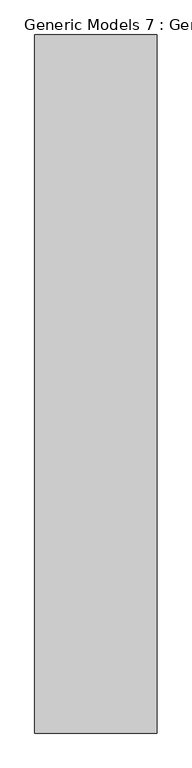
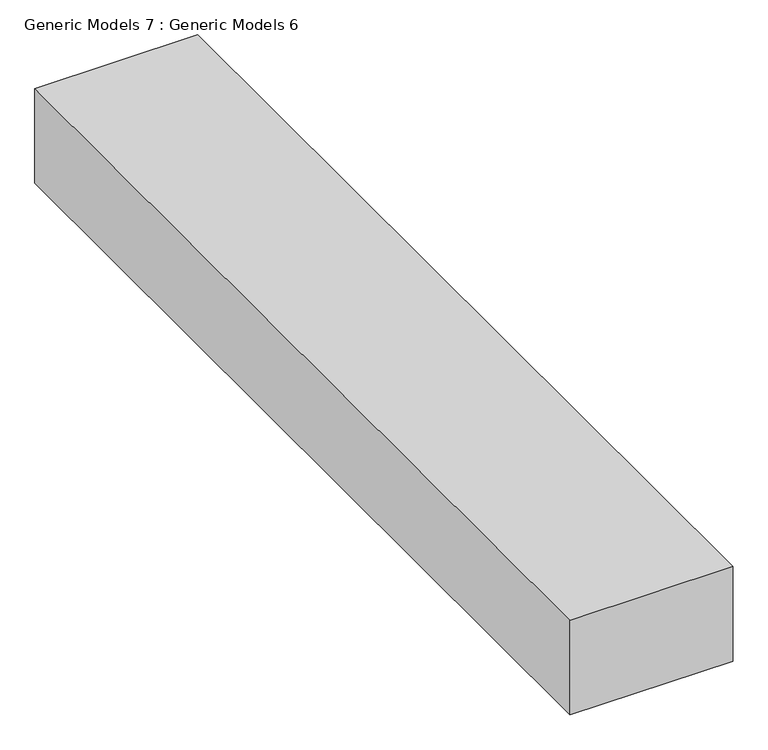
"""IFC4 building model written with IfcOpenShell, lengths in millimetres: proxy geometry, Generic Models 7 : Generic Models 6."""

from ifc_helpers import new_model, si_unit, frame, origin, place, context, project, spatial, polyline, outline, extrude, source, transform, mapped, element, save


def generic_models_7_generic_models_6_da6973d4(model_context):
    return source(origin(), model_context, "Body", "SweptSolid", [
        extrude(outline(polyline([(5255.40801, 6546.8099362), (5255.40801, 5006.8099362), (4985.40801, 5006.8099362), (4985.40801, 6546.8099362), (5255.40801, 6546.8099362)])), frame((0.0, 0.0, 7510.0), z_axis=(0.0, 0.0, 1.0), x_axis=(1.0, 0.0, 0.0)), (0.0, 0.0, 1.0), 166.0059956),
    ])


if __name__ == "__main__":
    model = new_model("IFC4")
    model_context = context("Model", 3, world=origin())
    ifc_project = project(units=[si_unit("LENGTHUNIT", "METRE", prefix="MILLI")], contexts=[model_context])
    site = spatial("IfcSite", under=ifc_project)
    building = spatial("IfcBuilding", under=site)
    placement = place(None, origin())
    generic_models_7_generic_models_6_shape = generic_models_7_generic_models_6_da6973d4(model_context)
    element("IfcBuildingElementProxy", 1, Name="Generic Models 7 : Generic Models 6", ObjectType="Generic Models 7 : Generic Models 6", at=placement, inside=building, context=model_context, shape_type="MappedRepresentation", body=[
        mapped(generic_models_7_generic_models_6_shape, transform((0.0, 0.0, 0.0), x_axis=(1.0, 0.0, 0.0), y_axis=(0.0, 1.0, 0.0), z_axis=(0.0, 0.0, 1.0))),
    ])
    save(model, "model.ifc")
